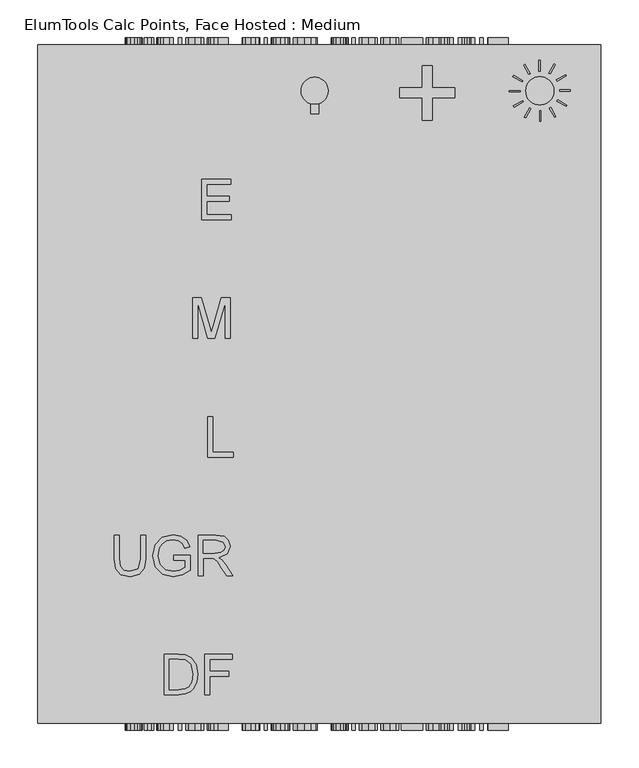
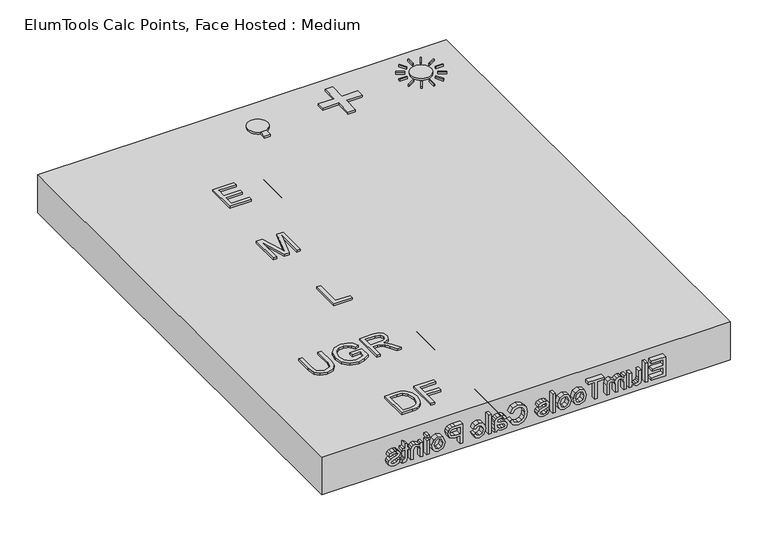
"""IFC4 building model written with IfcOpenShell, lengths in millimetres: proxy geometry, ElumTools Calc Points, Face Hosted : Medium."""

from ifc_helpers import new_model, si_unit, point, frame, frame_2d, origin, origin_with_axes, place, context, project, spatial, polyline, circle_curve, trimmed, segment, composite_curve, outline, extrude, source, transform, mapped, element, save


def elumtools_calc_points_face_hosted_medium_72ce31fc(model_context):
    return source(origin(), model_context, "Body", "SweptSolid", [
        extrude(outline(polyline([(-6.8655966, 398.2356194), (-6.8655966, 427.4144047), (-36.0443819, 427.4144047), (-36.0443819, 441.1455978), (-6.8655966, 441.1455978), (-6.8655966, 470.3243832), (6.8655966, 470.3243832), (6.8655966, 441.1455978), (36.0443819, 441.1455978), (36.0443819, 427.4144047), (6.8655966, 427.4144047), (6.8655966, 398.2356194), (-6.8655966, 398.2356194)])), frame((0.0, 0.0, 72.39), z_axis=(0.0, 0.0, 1.0), x_axis=(1.0, 0.0, 0.0)), (0.0, 0.0, 1.0), 3.81),
        extrude(outline(polyline([(17.600676, 107.1129567), (54.217191, 107.1129567), (54.217191, 80.7948366), (49.6401266, 80.7948366), (49.6401266, 102.5358923), (38.7695987, 102.5358923), (38.7695987, 81.9391026), (34.1925343, 81.9391026), (34.1925343, 102.5358923), (22.1777404, 102.5358923), (22.1777404, 80.2227035), (17.600676, 80.2227035), (17.600676, 107.1129567)])), frame((0.0, -407.543, 0.0), z_axis=(0.0, 1.0, 0.0), x_axis=(0.0, 0.0, 1.0)), (0.0, 0.0, 1.0), 914.4),
        extrude(outline(polyline([(69.3521756, 506.857), (73.92924, 506.857), (73.92924, -407.543), (69.3521756, -407.543), (69.3521756, 506.857)])), frame((0.0, 0.0, 17.600676), z_axis=(0.0, 0.0, 1.0), x_axis=(1.0, 0.0, 0.0)), (0.0, 0.0, 1.0), 36.616515),
        extrude(outline(polyline([(17.600676, 45.3225877), (22.2224383, 45.3225877), (17.028543, 53.5827585), (17.94038, 57.8871658), (20.2289122, 60.8551059), (23.5991334, 62.2183917), (27.8543729, 62.4865791), (44.4909292, 62.4865791), (44.4909292, 57.9095147), (30.0088114, 57.9095147), (25.3423513, 57.6323878), (22.6023704, 55.822123), (21.6056073, 52.4116737), (22.6247193, 48.5900038), (25.4004585, 46.0645727), (30.5004883, 45.3225877), (44.4909292, 45.3225877), (44.4909292, 40.7455233), (17.600676, 40.7455233), (17.600676, 45.3225877)])), frame((0.0, -407.543, 0.0), z_axis=(0.0, 1.0, 0.0), x_axis=(0.0, 0.0, 1.0)), (0.0, 0.0, 1.0), 914.4),
        extrude(outline(polyline([(17.600676, 34.4520598), (44.4909292, 34.4520598), (44.4909292, 29.8749954), (40.0658376, 29.8749954), (43.6908369, 26.7282637), (45.0630622, 22.2495347), (43.6640181, 17.6635307), (39.7440128, 15.1425695), (45.0630622, 7.0611902), (42.8505165, 1.0761422), (36.0340876, -1.020189), (17.600676, -1.020189), (17.600676, 3.5568753), (34.0673802, 3.5568753), (37.8890502, 3.9815053), (39.7708315, 5.5191129), (40.4859978, 8.1339397), (38.6533842, 12.6350176), (32.7800809, 14.4274032), (17.600676, 14.4274032), (17.600676, 19.0044676), (34.5769362, 19.0044676), (39.0109673, 20.0638077), (40.4859978, 23.536834), (39.5026442, 26.9249344), (36.6240998, 29.1777083), (31.1620171, 29.8749954), (17.600676, 29.8749954), (17.600676, 34.4520598)])), frame((0.0, -407.543, 0.0), z_axis=(0.0, 1.0, 0.0), x_axis=(0.0, 0.0, 1.0)), (0.0, 0.0, 1.0), 914.4),
        extrude(outline(polyline([(17.600676, -17.6120474), (49.6401266, -17.6120474), (49.6401266, -5.5972534), (54.217191, -5.5972534), (54.217191, -34.2039057), (49.6401266, -34.2039057), (49.6401266, -22.1891118), (17.600676, -22.1891118), (17.600676, -17.6120474)])), frame((0.0, -407.543, 0.0), z_axis=(0.0, 1.0, 0.0), x_axis=(0.0, 0.0, 1.0)), (0.0, 0.0, 1.0), 914.4),
        extrude(outline(polyline([(31.0458026, -37.636704), (42.0861825, -41.5969374), (45.0630622, -49.6604375), (41.438063, -58.3094801), (31.4212649, -61.6662919), (23.2773086, -60.1823219), (18.6689557, -55.8600355), (17.028543, -49.6604375), (20.6401328, -40.9577575), (31.0458026, -37.636704)]), holes=[polyline([(31.0547422, -42.2137684), (23.9611863, -44.3324486), (21.6056073, -49.6604375), (23.9745957, -54.9705474), (31.1977754, -57.0892276), (38.1304188, -54.957138), (40.4859978, -49.6604375), (38.1393584, -44.3324486), (31.0547422, -42.2137684)])]), frame((0.0, -407.543, 0.0), z_axis=(0.0, 1.0, 0.0), x_axis=(0.0, 0.0, 1.0)), (0.0, 0.0, 1.0), 914.4),
        extrude(outline(polyline([(31.0458026, -65.6712233), (42.0861825, -69.6314567), (45.0630622, -77.6949568), (41.438063, -86.3439993), (31.4212649, -89.7008112), (23.2773086, -88.2168411), (18.6689557, -83.8945547), (17.028543, -77.6949568), (20.6401328, -68.9922768), (31.0458026, -65.6712233)]), holes=[polyline([(31.0547422, -70.2482876), (23.9611863, -72.3669678), (21.6056073, -77.6949568), (23.9745957, -83.0050666), (31.1977754, -85.1237468), (38.1304188, -82.9916573), (40.4859978, -77.6949568), (38.1393584, -72.3669678), (31.0547422, -70.2482876)])]), frame((0.0, -407.543, 0.0), z_axis=(0.0, 1.0, 0.0), x_axis=(0.0, 0.0, 1.0)), (0.0, 0.0, 1.0), 914.4),
        extrude(outline(polyline([(-99.427073, 506.857), (-94.8500086, 506.857), (-94.8500086, -407.543), (-99.427073, -407.543), (-99.427073, 506.857)])), frame((0.0, 0.0, 17.600676), z_axis=(0.0, 0.0, 1.0), x_axis=(1.0, 0.0, 0.0)), (0.0, 0.0, 1.0), 36.616515),
        extrude(outline(polyline([(25.6105386, -104.5762704), (26.1826717, -109.1533348), (22.7856317, -111.272015), (21.6056073, -116.1262063), (22.6872964, -120.7926664), (25.2261368, -122.3123948), (27.2822399, -120.7837268), (28.5874184, -116.0725688), (30.8267829, -109.1801535), (33.4416097, -106.1719852), (37.1336558, -105.1484034), (40.5441051, -105.9708447), (43.1499923, -108.214679), (44.5043385, -111.1245119), (45.0630622, -115.0623964), (44.1646345, -120.631754), (41.7330691, -124.1718272), (37.6253326, -125.7451931), (37.0531996, -121.1681287), (39.5786306, -119.4472598), (40.4859978, -115.4199795), (39.6188587, -111.0395859), (37.5985139, -109.7254678), (35.2563442, -111.9782417), (34.2819301, -115.920596), (32.1274916, -122.6386895), (29.6869866, -125.7586025), (25.708874, -126.8894592), (21.3284804, -125.5619317), (18.1504601, -121.7313222), (17.028543, -116.0636292), (19.191921, -108.0805853), (25.6105386, -104.5762704)])), frame((0.0, -407.543, 0.0), z_axis=(0.0, 1.0, 0.0), x_axis=(0.0, 0.0, 1.0)), (0.0, 0.0, 1.0), 914.4),
        extrude(outline(polyline([(30.6167028, -172.6601029), (29.4366784, -177.2371673), (20.2065632, -171.8108429), (17.028543, -162.2276144), (19.4332897, -152.7024931), (26.3972216, -147.1152563), (36.1860604, -145.1977167), (46.1358117, -147.3655645), (52.5857178, -153.5294042), (54.789324, -162.3259497), (51.9375983, -171.4934879), (43.9098565, -176.6650342), (42.8192279, -172.0879698), (48.4466928, -168.3333467), (50.2122596, -162.1471582), (48.2544919, -154.9865555), (42.9980195, -150.9413961), (36.195, -149.774781), (28.3102915, -151.155946), (23.2728388, -155.4558834), (21.6056073, -161.7716959), (23.8762603, -168.7758559), (30.6167028, -172.6601029)])), frame((0.0, -407.543, 0.0), z_axis=(0.0, 1.0, 0.0), x_axis=(0.0, 0.0, 1.0)), (0.0, 0.0, 1.0), 914.4),
        extrude(outline(polyline([(21.0334743, -200.1224891), (17.9314404, -195.6839882), (17.028543, -190.7806292), (19.2008606, -184.1340523), (24.7523391, -181.8142316), (28.3728685, -182.6903104), (31.0011047, -184.9922519), (32.5029539, -188.1970909), (33.1913015, -192.1573244), (34.7646674, -200.0956704), (39.1629402, -198.8620085), (40.4859978, -193.8022069), (39.6054493, -189.171505), (36.4810665, -186.963429), (37.0531996, -182.3863647), (41.522989, -184.3664814), (44.1422856, -188.3535336), (45.0630622, -194.3922191), (44.2495605, -199.9392277), (42.2068668, -203.0725501), (39.1003631, -204.476064), (35.0954318, -204.6995535), (29.4009201, -204.6995535), (21.4491647, -204.9319825), (17.600676, -205.8438196), (17.600676, -201.2667552), (21.0334743, -200.1224891)]), holes=[polyline([(29.5394835, -200.1090797), (28.7840891, -192.738397), (28.0421041, -188.8005125), (26.8352609, -187.0170665), (25.0741639, -186.391296), (22.5979006, -187.7545818), (21.6056073, -191.7550433), (22.7007057, -196.3857452), (25.3512909, -199.3715645), (29.5394835, -200.1090797)])]), frame((0.0, -407.543, 0.0), z_axis=(0.0, 1.0, 0.0), x_axis=(0.0, 0.0, 1.0)), (0.0, 0.0, 1.0), 914.4),
        extrude(outline(polyline([(-215.5700814, 506.857), (-210.993017, 506.857), (-210.993017, -407.543), (-215.5700814, -407.543), (-215.5700814, 506.857)])), frame((0.0, 0.0, 17.600676), z_axis=(0.0, 0.0, 1.0), x_axis=(1.0, 0.0, 0.0)), (0.0, 0.0, 1.0), 36.616515),
        extrude(outline(polyline([(27.3269378, -239.5996693), (26.7548047, -244.1767337), (19.6076115, -240.5025668), (17.028543, -233.2436287), (20.6267234, -224.5677675), (30.9474672, -221.2914118), (38.550579, -222.6904559), (43.4360589, -226.954635), (45.0630622, -233.1810517), (42.8281675, -240.1405138), (36.4810665, -243.6046006), (35.9089335, -239.0275362), (39.337262, -236.9043863), (40.4859978, -233.21681), (38.2242844, -227.91117), (31.0726213, -225.8684762), (23.8539114, -227.8664721), (21.6056073, -233.0916559), (23.0091212, -237.4050027), (27.3269378, -239.5996693)])), frame((0.0, -407.543, 0.0), z_axis=(0.0, 1.0, 0.0), x_axis=(0.0, 0.0, 1.0)), (0.0, 0.0, 1.0), 914.4),
        extrude(outline(polyline([(17.600676, -263.0571242), (54.217191, -263.0571242), (54.217191, -276.6274049), (53.8685474, -282.0984271), (52.156618, -286.5458676), (48.6165448, -289.4288818), (43.62379, -290.5195104), (35.7122627, -287.5739192), (32.4761352, -276.9402901), (32.4761352, -267.6341886), (17.600676, -267.6341886), (17.600676, -263.0571242)]), holes=[polyline([(37.0531996, -267.6341886), (37.0531996, -277.2084775), (38.7338404, -283.9489199), (43.4628776, -285.942446), (47.253259, -284.7668914), (49.3272413, -281.6782669), (49.6401266, -277.1012026), (49.6401266, -267.6341886), (37.0531996, -267.6341886)])]), frame((0.0, -407.543, 0.0), z_axis=(0.0, 1.0, 0.0), x_axis=(0.0, 0.0, 1.0)), (0.0, 0.0, 1.0), 914.4),
        extrude(outline(polyline([(31.0458026, -295.0965748), (42.0861825, -299.0568082), (45.0630622, -307.1203083), (41.438063, -315.7693509), (31.4212649, -319.1261627), (23.2773086, -317.6421926), (18.6689557, -313.3199062), (17.028543, -307.1203083), (20.6401328, -298.4176283), (31.0458026, -295.0965748)]), holes=[polyline([(31.0547422, -299.6736391), (23.9611863, -301.7923193), (21.6056073, -307.1203083), (23.9745957, -312.4304182), (31.1977754, -314.5490983), (38.1304188, -312.4170088), (40.4859978, -307.1203083), (38.1393584, -301.7923193), (31.0547422, -299.6736391)])]), frame((0.0, -407.543, 0.0), z_axis=(0.0, 1.0, 0.0), x_axis=(0.0, 0.0, 1.0)), (0.0, 0.0, 1.0), 914.4),
        extrude(outline(polyline([(-328.8524245, 506.857), (-324.2753601, 506.857), (-324.2753601, -407.543), (-328.8524245, -407.543), (-328.8524245, 506.857)])), frame((0.0, 0.0, 17.600676), z_axis=(0.0, 0.0, 1.0), x_axis=(1.0, 0.0, 0.0)), (0.0, 0.0, 1.0), 26.8902532),
        extrude(outline(polyline([(-328.8524245, 506.857), (-324.2753601, 506.857), (-324.2753601, -407.543), (-328.8524245, -407.543), (-328.8524245, 506.857)])), frame((0.0, 0.0, 49.6401266), z_axis=(0.0, 0.0, 1.0), x_axis=(1.0, 0.0, 0.0)), (0.0, 0.0, 1.0), 4.5770644),
        extrude(outline(polyline([(17.600676, -335.718021), (44.4909292, -335.718021), (44.4909292, -340.2950854), (40.7363061, -340.2950854), (45.0630622, -348.5731354), (44.1914533, -352.8954218), (41.9029211, -355.8454828), (38.5371697, -357.2177082), (34.1120781, -357.4590768), (17.600676, -357.4590768), (17.600676, -352.8820124), (33.4952472, -352.8820124), (37.5448764, -352.3545773), (39.6859055, -350.4906751), (40.4859978, -347.3484131), (38.6891425, -342.3824771), (31.8682438, -340.2950854), (17.600676, -340.2950854), (17.600676, -335.718021)])), frame((0.0, -407.543, 0.0), z_axis=(0.0, 1.0, 0.0), x_axis=(0.0, 0.0, 1.0)), (0.0, 0.0, 1.0), 914.4),
        extrude(outline(polyline([(21.4178762, -373.4788021), (17.4665823, -374.0509351), (17.028543, -370.6270764), (17.7884072, -366.7919971), (19.7819332, -364.8789272), (24.9758285, -364.3246734), (39.9138648, -364.3246734), (39.9138648, -360.8918751), (44.4909292, -360.8918751), (44.4909292, -364.3246734), (51.0257613, -364.3246734), (53.7165745, -368.9017377), (44.4909292, -368.9017377), (44.4909292, -373.4788021), (39.9138648, -373.4788021), (39.9138648, -368.9017377), (25.1099222, -368.9017377), (22.7498734, -369.1431064), (21.6056073, -371.485276), (21.4178762, -373.4788021)])), frame((0.0, -407.543, 0.0), z_axis=(0.0, 1.0, 0.0), x_axis=(0.0, 0.0, 1.0)), (0.0, 0.0, 1.0), 914.4),
        extrude(outline(polyline([(25.6105386, -376.3394673), (26.1826717, -380.9165317), (22.7856317, -383.0352119), (21.6056073, -387.8894032), (22.6872964, -392.5558634), (25.2261368, -394.0755918), (27.2822399, -392.5469238), (28.5874184, -387.8357657), (30.8267829, -380.9433504), (33.4416097, -377.9351821), (37.1336558, -376.9116004), (40.5441051, -377.7340416), (43.1499923, -379.9778759), (44.5043385, -382.8877088), (45.0630622, -386.8255933), (44.1646345, -392.3949509), (41.7330691, -395.9350242), (37.6253326, -397.50839), (37.0531996, -392.9313257), (39.5786306, -391.2104567), (40.4859978, -387.1831765), (39.6188587, -382.8027828), (37.5985139, -381.4886647), (35.2563442, -383.7414386), (34.2819301, -387.6837929), (32.1274916, -394.4018864), (29.6869866, -397.5217994), (25.708874, -398.6526561), (21.3284804, -397.3251287), (18.1504601, -393.4945191), (17.028543, -387.8268261), (19.191921, -379.8437822), (25.6105386, -376.3394673)])), frame((0.0, -407.543, 0.0), z_axis=(0.0, 1.0, 0.0), x_axis=(0.0, 0.0, 1.0)), (0.0, 0.0, 1.0), 914.4),
        extrude(outline(polyline([(-143.37792, 418.93236), (-143.37792, 406.386792), (-154.131264, 406.386792), (-154.131264, 418.93236), (-143.37792, 418.93236)])), frame((0.0, 0.0, 72.39), z_axis=(0.0, 0.0, 1.0), x_axis=(1.0, 0.0, 0.0)), (0.0, 0.0, 1.0), 3.81),
        extrude(outline(composite_curve([segment(trimmed(circle_curve(frame_2d((-148.754592, 436.8546)), 17.92224), [point((-166.676832, 436.8546))], [point((-130.832352, 436.8546))], False, "CARTESIAN"), True, "CONTINUOUS"), segment(trimmed(circle_curve(frame_2d((-148.754592, 436.8546)), 17.92224), [point((-130.832352, 436.8546))], [point((-166.676832, 436.8546))], False, "CARTESIAN"), True, "CONTINUOUS")], self_intersect=False)), frame((0.0, 0.0, 72.39), z_axis=(0.0, 0.0, 1.0), x_axis=(1.0, 0.0, 0.0)), (0.0, 0.0, 1.0), 3.81),
        extrude(outline(polyline([(169.1662008, 471.4147936), (162.1933293, 459.3374258), (160.5830136, 460.267142), (167.5558851, 472.3445098), (169.1662008, 471.4147936)])), frame((0.0, 0.0, 72.39), z_axis=(0.0, 0.0, 1.0), x_axis=(1.0, 0.0, 0.0)), (0.0, 0.0, 1.0), 3.81),
        extrude(outline(polyline([(183.7116606, 456.5788012), (171.6342928, 449.6059297), (170.7045766, 451.2162454), (182.7819444, 458.1891169), (183.7116606, 456.5788012)])), frame((0.0, 0.0, 72.39), z_axis=(0.0, 0.0, 1.0), x_axis=(1.0, 0.0, 0.0)), (0.0, 0.0, 1.0), 3.81),
        extrude(outline(polyline([(188.890402, 436.457725), (174.944659, 436.457725), (174.944659, 438.3171574), (188.890402, 438.3171574), (188.890402, 436.457725)])), frame((0.0, 0.0, 72.39), z_axis=(0.0, 0.0, 1.0), x_axis=(1.0, 0.0, 0.0)), (0.0, 0.0, 1.0), 3.81),
        extrude(outline(polyline([(183.3147856, 416.4429912), (171.2374178, 423.4158627), (172.167134, 425.0261784), (184.2445018, 418.0533069), (183.3147856, 416.4429912)])), frame((0.0, 0.0, 72.39), z_axis=(0.0, 0.0, 1.0), x_axis=(1.0, 0.0, 0.0)), (0.0, 0.0, 1.0), 3.81),
        extrude(outline(polyline([(168.4787932, 401.8975314), (161.5059217, 413.9748992), (163.1162374, 414.9046154), (170.0891089, 402.8272476), (168.4787932, 401.8975314)])), frame((0.0, 0.0, 72.39), z_axis=(0.0, 0.0, 1.0), x_axis=(1.0, 0.0, 0.0)), (0.0, 0.0, 1.0), 3.81),
        extrude(outline(polyline([(148.357717, 396.71879), (148.357717, 410.664533), (150.2171494, 410.664533), (150.2171494, 396.71879), (148.357717, 396.71879)])), frame((0.0, 0.0, 72.39), z_axis=(0.0, 0.0, 1.0), x_axis=(1.0, 0.0, 0.0)), (0.0, 0.0, 1.0), 3.81),
        extrude(outline(polyline([(128.3429832, 402.2944064), (135.3158547, 414.3717742), (136.9261704, 413.442058), (129.9532989, 401.3646902), (128.3429832, 402.2944064)])), frame((0.0, 0.0, 72.39), z_axis=(0.0, 0.0, 1.0), x_axis=(1.0, 0.0, 0.0)), (0.0, 0.0, 1.0), 3.81),
        extrude(outline(polyline([(113.7975234, 417.1303988), (125.8748912, 424.1032703), (126.8046074, 422.4929546), (114.7272396, 415.5200831), (113.7975234, 417.1303988)])), frame((0.0, 0.0, 72.39), z_axis=(0.0, 0.0, 1.0), x_axis=(1.0, 0.0, 0.0)), (0.0, 0.0, 1.0), 3.81),
        extrude(outline(polyline([(108.618782, 437.251475), (122.564525, 437.251475), (122.564525, 435.3920426), (108.618782, 435.3920426), (108.618782, 437.251475)])), frame((0.0, 0.0, 72.39), z_axis=(0.0, 0.0, 1.0), x_axis=(1.0, 0.0, 0.0)), (0.0, 0.0, 1.0), 3.81),
        extrude(outline(polyline([(114.1943984, 457.2662088), (126.2717662, 450.2933373), (125.34205, 448.6830216), (113.2646822, 455.6558931), (114.1943984, 457.2662088)])), frame((0.0, 0.0, 72.39), z_axis=(0.0, 0.0, 1.0), x_axis=(1.0, 0.0, 0.0)), (0.0, 0.0, 1.0), 3.81),
        extrude(outline(polyline([(129.0303908, 471.8116686), (136.0032623, 459.7343008), (134.3929466, 458.8045846), (127.4200751, 470.8819524), (129.0303908, 471.8116686)])), frame((0.0, 0.0, 72.39), z_axis=(0.0, 0.0, 1.0), x_axis=(1.0, 0.0, 0.0)), (0.0, 0.0, 1.0), 3.81),
        extrude(outline(polyline([(149.151467, 476.99041), (149.151467, 463.044667), (147.2920346, 463.044667), (147.2920346, 476.99041), (149.151467, 476.99041)])), frame((0.0, 0.0, 72.39), z_axis=(0.0, 0.0, 1.0), x_axis=(1.0, 0.0, 0.0)), (0.0, 0.0, 1.0), 3.81),
        extrude(outline(composite_curve([segment(trimmed(circle_curve(frame_2d((148.754592, 436.8546)), 18.594324), [point((130.160268, 436.8546))], [point((167.348916, 436.8546))], False, "CARTESIAN"), True, "CONTINUOUS"), segment(trimmed(circle_curve(frame_2d((148.754592, 436.8546)), 18.594324), [point((167.348916, 436.8546))], [point((130.160268, 436.8546))], False, "CARTESIAN"), True, "CONTINUOUS")], self_intersect=False)), frame((0.0, 0.0, 72.39), z_axis=(0.0, 0.0, 1.0), x_axis=(1.0, 0.0, 0.0)), (0.0, 0.0, 1.0), 3.81),
        extrude(outline(polyline([(-347.4222777, -360.68508), (-347.4222777, -307.1058542), (-328.9390145, -307.1058542), (-319.3769017, -307.8776253), (-311.5022206, -311.7103189), (-305.1580008, -320.8669249), (-303.0519814, -333.6076881), (-304.4777957, -344.4190235), (-308.1404381, -352.2217599), (-313.0326819, -357.0813015), (-319.4357656, -359.7694194), (-328.0495157, -360.68508), (-347.4222777, -360.68508)]), holes=[polyline([(-340.7248745, -353.9876768), (-328.8736102, -353.9876768), (-320.2533197, -353.0196927), (-315.2825908, -350.2857918), (-311.2079011, -343.6341716), (-309.7493846, -333.5030411), (-312.6075538, -320.8146014), (-319.5600339, -314.8758884), (-329.0567423, -313.8032574), (-340.7248745, -313.8032574), (-340.7248745, -353.9876768)])]), frame((0.0, 0.0, 72.39), z_axis=(0.0, 0.0, 1.0), x_axis=(1.0, 0.0, 0.0)), (0.0, 0.0, 1.0), 3.81),
        extrude(outline(polyline([(-293.8430519, -360.68508), (-293.8430519, -307.1058542), (-257.8445096, -307.1058542), (-257.8445096, -313.8032574), (-287.1456487, -313.8032574), (-287.1456487, -329.7095901), (-262.0303866, -329.7095901), (-262.0303866, -336.4069933), (-287.1456487, -336.4069933), (-287.1456487, -360.68508), (-293.8430519, -360.68508)])), frame((0.0, 0.0, 72.39), z_axis=(0.0, 0.0, 1.0), x_axis=(1.0, 0.0, 0.0)), (0.0, 0.0, 1.0), 3.81),
        extrude(outline(polyline([(-378.3977677, -150.2862542), (-371.7003644, -150.2862542), (-371.7003644, -181.1963398), (-373.5186048, -194.0090477), (-380.0721185, -201.7267585), (-392.4989409, -204.7026554), (-404.7360907, -202.112644), (-411.52506, -194.6107675), (-413.5591346, -181.1963398), (-413.5591346, -150.2862542), (-406.8617314, -150.2862542), (-406.8617314, -180.9608842), (-405.5405639, -191.1704999), (-401.0015035, -196.2262544), (-393.1268224, -198.0052522), (-381.7857119, -194.4864993), (-378.3977677, -180.9608842), (-378.3977677, -150.2862542)])), frame((0.0, 0.0, 72.39), z_axis=(0.0, 0.0, 1.0), x_axis=(1.0, 0.0, 0.0)), (0.0, 0.0, 1.0), 3.81),
        extrude(outline(polyline([(-334.8646467, -182.9360949), (-334.8646467, -176.2386917), (-313.0980862, -176.2386917), (-313.0980862, -196.265497), (-323.8440174, -202.5835552), (-335.2047492, -204.7026554), (-349.5086758, -201.3343325), (-359.2146781, -191.5825471), (-362.491435, -177.3374844), (-359.227759, -162.7719405), (-349.8422379, -152.7323761), (-335.7410647, -149.4490788), (-325.2632913, -151.3523448), (-317.9183852, -156.6500954), (-313.8698573, -165.5123818), (-320.0440259, -167.252137), (-323.098408, -161.0583471), (-328.3176734, -157.4872708), (-335.8457116, -156.146482), (-344.4202191, -157.5919177), (-350.2542852, -161.3853687), (-353.7010933, -166.5457702), (-355.7940318, -177.0627862), (-353.2759651, -188.7374588), (-345.9506804, -195.7226411), (-335.7410647, -198.0052522), (-326.5779183, -196.2851183), (-319.7954894, -192.6159355), (-319.7954894, -182.9360949), (-334.8646467, -182.9360949)])), frame((0.0, 0.0, 72.39), z_axis=(0.0, 0.0, 1.0), x_axis=(1.0, 0.0, 0.0)), (0.0, 0.0, 1.0), 3.81),
        extrude(outline(polyline([(-302.214806, -203.86548), (-302.214806, -150.2862542), (-279.1270781, -150.2862542), (-268.4073086, -151.7316899), (-262.5470808, -156.8463083), (-260.3560358, -164.9499046), (-263.985976, -174.6035835), (-275.2028184, -179.5873933), (-271.3962864, -182.4521029), (-265.9677272, -189.3457191), (-257.0334959, -203.86548), (-264.816611, -203.86548), (-271.7887124, -192.759825), (-276.8248457, -185.4083785), (-280.3632199, -181.9354087), (-283.5484107, -180.6600243), (-287.4334278, -180.4245687), (-295.5174028, -180.4245687), (-295.5174028, -203.86548), (-302.214806, -203.86548)]), holes=[polyline([(-295.5174028, -173.7271655), (-280.5267307, -173.7271655), (-272.8809647, -172.7788027), (-268.5381173, -169.7440419), (-267.053439, -165.1984411), (-269.8854465, -159.2989707), (-278.839299, -156.9836574), (-295.5174028, -156.9836574), (-295.5174028, -173.7271655)])]), frame((0.0, 0.0, 72.39), z_axis=(0.0, 0.0, 1.0), x_axis=(1.0, 0.0, 0.0)), (0.0, 0.0, 1.0), 3.81),
        extrude(outline(polyline([(-289.6571749, -47.04588), (-289.6571749, 6.5333458), (-282.9597717, 6.5333458), (-282.9597717, -40.3484768), (-256.1701588, -40.3484768), (-256.1701588, -47.04588), (-289.6571749, -47.04588)])), frame((0.0, 0.0, 72.39), z_axis=(0.0, 0.0, 1.0), x_axis=(1.0, 0.0, 0.0)), (0.0, 0.0, 1.0), 3.81),
        extrude(outline(polyline([(-309.7493846, 109.77372), (-309.7493846, 163.3529458), (-298.2251419, 163.3529458), (-287.2633765, 125.5884866), (-285.0527102, 117.7007246), (-282.6589118, 126.2425299), (-271.8802785, 163.3529458), (-260.3560358, 163.3529458), (-260.3560358, 109.77372), (-267.053439, 109.77372), (-267.053439, 156.6555426), (-280.5136498, 109.77372), (-289.5917706, 109.77372), (-303.0519814, 156.6555426), (-303.0519814, 109.77372), (-309.7493846, 109.77372)])), frame((0.0, 0.0, 72.39), z_axis=(0.0, 0.0, 1.0), x_axis=(1.0, 0.0, 0.0)), (0.0, 0.0, 1.0), 3.81),
        extrude(outline(polyline([(-298.028929, 266.59332), (-298.028929, 320.1725458), (-259.5188604, 320.1725458), (-259.5188604, 313.4751426), (-291.3315257, 313.4751426), (-291.3315257, 297.5688099), (-261.1932112, 297.5688099), (-261.1932112, 290.8714067), (-291.3315257, 290.8714067), (-291.3315257, 273.2907232), (-258.681685, 273.2907232), (-258.681685, 266.59332), (-298.028929, 266.59332)])), frame((0.0, 0.0, 72.39), z_axis=(0.0, 0.0, 1.0), x_axis=(1.0, 0.0, 0.0)), (0.0, 0.0, 1.0), 3.81),
        extrude(outline(polyline([(229.481888, 497.713), (229.481888, -398.399), (-514.291072, -398.399), (-514.291072, 497.713), (229.481888, 497.713)])), origin_with_axes(), (0.0, 0.0, 1.0), 72.39),
    ])


if __name__ == "__main__":
    model = new_model("IFC4")
    model_context = context("Model", 3, world=origin())
    ifc_project = project(units=[si_unit("LENGTHUNIT", "METRE", prefix="MILLI")], contexts=[model_context])
    site = spatial("IfcSite", under=ifc_project)
    building = spatial("IfcBuilding", under=site)
    placement = place(None, origin())
    elumtools_calc_points_face_hosted_medium_shape = elumtools_calc_points_face_hosted_medium_72ce31fc(model_context)
    element("IfcBuildingElementProxy", 1, Name="ElumTools Calc Points, Face Hosted : Medium", ObjectType="ElumTools Calc Points, Face Hosted : Medium", at=placement, inside=building, context=model_context, shape_type="MappedRepresentation", body=[
        mapped(elumtools_calc_points_face_hosted_medium_shape, transform((0.0, 0.0, 0.0), x_axis=(1.0, 0.0, 0.0), y_axis=(0.0, 1.0, 0.0), z_axis=(0.0, 0.0, 1.0))),
    ])
    save(model, "model.ifc")
